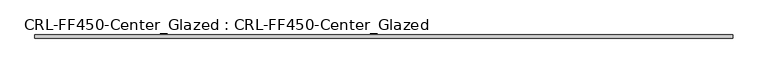
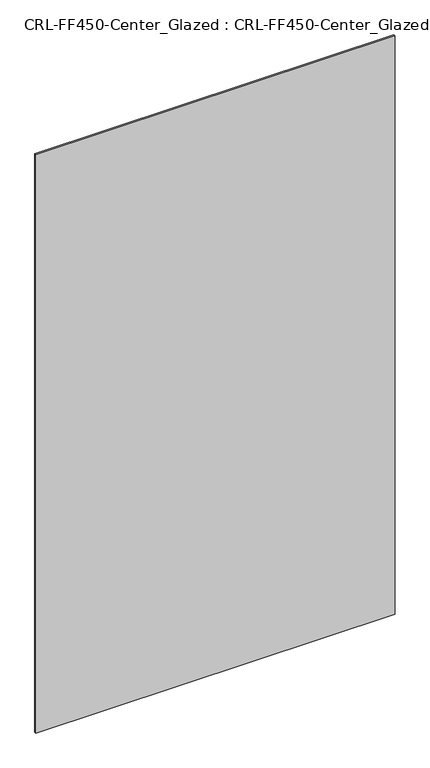
"""IFC4 building model written with IfcOpenShell, lengths in millimetres: plate geometry, CRL-FF450-Center_Glazed : CRL-FF450-Center_Glazed."""

from ifc_helpers import new_model, si_unit, origin, origin_with_axes, place, context, project, spatial, polyline, outline, extrude, source, transform, mapped, element, save


def crl_ff450_center_glazed_crl_ff450_center_glazed_ca0408be(model_context):
    return source(origin(), model_context, "Body", "SweptSolid", [
        extrude(outline(polyline([(621.2462027, 3.1749999), (621.2462027, -3.1749999), (-621.2462027, -3.1749999), (-621.2462027, 3.1749999), (621.2462027, 3.1749999)])), origin_with_axes(), (0.0, 0.0, 1.0), 2114.5499801),
    ])


if __name__ == "__main__":
    model = new_model("IFC4")
    model_context = context("Model", 3, world=origin())
    ifc_project = project(units=[si_unit("LENGTHUNIT", "METRE", prefix="MILLI")], contexts=[model_context])
    site = spatial("IfcSite", under=ifc_project)
    building = spatial("IfcBuilding", under=site)
    placement = place(None, origin())
    crl_ff450_center_glazed_crl_ff450_center_glazed_shape = crl_ff450_center_glazed_crl_ff450_center_glazed_ca0408be(model_context)
    element("IfcPlate", 1, ObjectType="CRL-FF450-Center_Glazed : CRL-FF450-Center_Glazed", at=placement, inside=building, context=model_context, shape_type="MappedRepresentation", body=[
        mapped(crl_ff450_center_glazed_crl_ff450_center_glazed_shape, transform((0.0, 0.0, 0.0), x_axis=(1.0, 0.0, 0.0), y_axis=(0.0, 1.0, 0.0), z_axis=(0.0, 0.0, 1.0))),
    ])
    save(model, "model.ifc")
